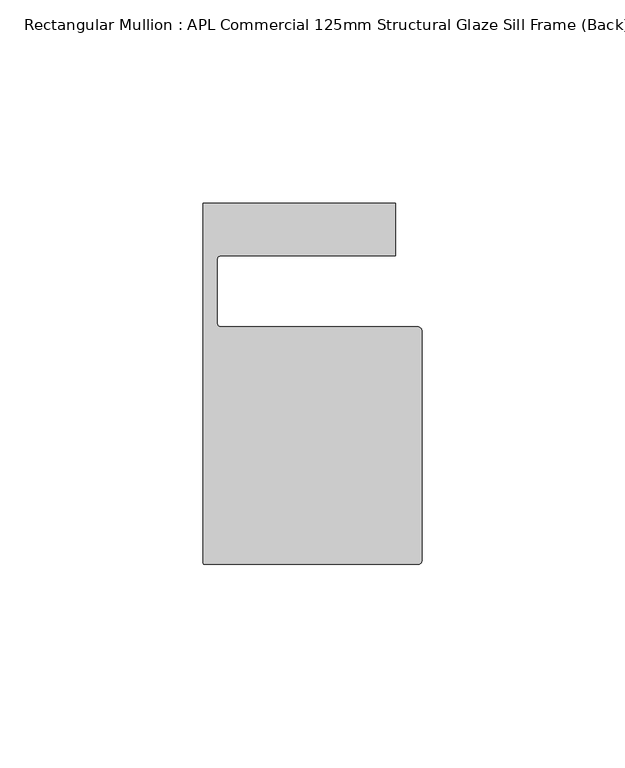
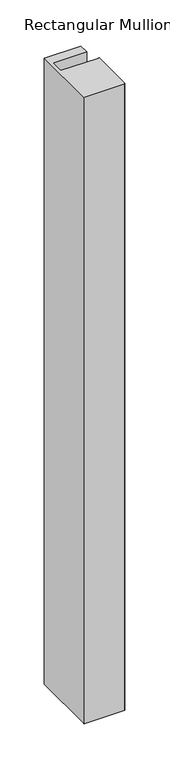
"""IFC4 building model written with IfcOpenShell, lengths in millimetres: member geometry, Rectangular Mullion : APL Commercial 125mm Structural Glaze Sill Frame (Back)."""

from ifc_helpers import new_model, si_unit, frame, origin, place, context, project, spatial, polyline, circle_curve, source, transform, mapped, element, save
from ifc_brep_helpers import plane_surface, cylinder_surface, revolved_surface, advanced_brep


def rectangular_mullion_apl_commercial_125mm_structural_glaze_bcdedff3(model_context):
    return source(origin(), model_context, "Body", "AdvancedBrep", [
        advanced_brep(
        [(-53.5000029, -104.0, 0.0), (-1.0000025, -104.0, 0.0), (-2.5e-06, -103.0, 0.0), (0.0, -46.5010268, 0.0), (-1.0, -45.5010268, 0.0), (-49.5000004, -45.5010268, 0.0), (-50.5000004, -44.5010268, 0.0), (-50.5000029, -29.0004332, 0.0), (-49.5000029, -28.0004332, 0.0), (-6.5000029, -28.0004332, 0.0), (-6.5000029, -15.0004332, 0.0), (-54.0000029, -15.0004332, 0.0), (-54.0000029, -103.5, 0.0), (-53.5000029, -104.0, -861.900041), (-54.0000029, -103.5, -861.900041), (-54.0000029, -15.0004332, -861.900041), (-6.5000029, -15.0004332, -861.900041), (-6.5000029, -28.0004332, -861.900041), (-49.5000029, -28.0004332, -861.900041), (-50.5000029, -29.0004332, -861.900041), (-50.5000029, -44.5010268, -861.900041), (-49.5000004, -45.5010268, -861.900041), (-1.0, -45.5010268, -861.900041), (0.0, -46.5010268, -861.900041), (0.0, -103.0, -861.900041), (-1.0000025, -104.0, -861.900041)],
        [
            (0, 1),
            (1, 2, circle_curve(frame((-1.0000025, -103.0, 0.0), z_axis=(0.0, 0.0, 1.0), x_axis=(0.9999999999996143, -8.78371761103865e-07, 0.0)), 1.0)),
            (2, 3),
            (3, 4, circle_curve(frame((-1.0, -46.5010268, 0.0), z_axis=(0.0, 0.0, 1.0), x_axis=(0.0, 1.0, 0.0)), 1.0)),
            (4, 5),
            (5, 6, circle_curve(frame((-49.5000004, -44.5010268, 0.0), z_axis=(0.0, 0.0, -1.0), x_axis=(-0.9999999999998819, -4.863123717036027e-07, 0.0)), 1.0)),
            (6, 7),
            (7, 8, circle_curve(frame((-49.5000029, -29.0004332, 0.0), z_axis=(0.0, 0.0, -1.0), x_axis=(0.0, 1.0, 0.0)), 1.0)),
            (8, 9),
            (9, 10),
            (10, 11),
            (11, 12),
            (12, 0, circle_curve(frame((-53.5000029, -103.5, 0.0), z_axis=(0.0, 0.0, 1.0), x_axis=(0.0, -1.0, 0.0)), 0.5)),
            (13, 14, circle_curve(frame((-53.5000029, -103.5, -861.900041), z_axis=(0.0, 0.0, -1.0), x_axis=(0.0, -1.0, 0.0)), 0.5)),
            (14, 15),
            (15, 16),
            (16, 17),
            (17, 18),
            (18, 19, circle_curve(frame((-49.5000029, -29.0004332, -861.900041), z_axis=(0.0, 0.0, 1.0), x_axis=(0.0, 1.0, 0.0)), 1.0)),
            (19, 20),
            (20, 21, circle_curve(frame((-49.5000004, -44.5010268, -861.900041), z_axis=(0.0, 0.0, 1.0), x_axis=(-0.9999999999998819, -4.863123717036027e-07, 0.0)), 1.0)),
            (21, 22),
            (22, 23, circle_curve(frame((-1.0, -46.5010268, -861.900041), z_axis=(0.0, 0.0, -1.0), x_axis=(0.0, 1.0, 0.0)), 1.0)),
            (23, 24),
            (24, 25, circle_curve(frame((-1.0000025, -103.0, -861.900041), z_axis=(0.0, 0.0, -1.0), x_axis=(0.9999999999996143, -8.78371761103865e-07, 0.0)), 1.0)),
            (25, 13),
            (0, 13),
            (25, 1),
            (24, 2),
            (23, 3),
            (22, 4),
            (21, 5),
            (20, 6),
            (19, 7),
            (18, 8),
            (17, 9),
            (16, 10),
            (15, 11),
            (14, 12),
        ],
        [
            plane_surface(frame((0.0, -116.986179, 0.0), z_axis=(0.0, 0.0, 1.0), x_axis=(-1.0, 0.0, 0.0))),
            plane_surface(frame((0.0, -116.986179, -861.900041), z_axis=(0.0, 0.0, -1.0), x_axis=(-1.0, 0.0, 0.0))),
            plane_surface(frame((-53.5000029, -104.0, 0.0), z_axis=(0.0, -1.0, 0.0), x_axis=(0.0, 0.0, -1.0))),
            cylinder_surface(frame((-1.0000025, -103.0, 0.0), z_axis=(0.0, 0.0, 1.0000000000000002), x_axis=(0.9999999999996143, -8.78371761103865e-07, 0.0)), 1.0),
            plane_surface(frame((0.0, -103.0, 0.0), z_axis=(1.0, 0.0, 0.0), x_axis=(0.0, 0.0, -1.0))),
            cylinder_surface(frame((-1.0, -46.5010268, 0.0), z_axis=(0.0, 0.0, 1.0), x_axis=(0.0, 1.0, 0.0)), 1.0),
            plane_surface(frame((-1.0, -45.5010268, 0.0), z_axis=(0.0, 1.0, 0.0), x_axis=(0.0, 0.0, -1.0))),
            revolved_surface(polyline([(-50.50000039999988, -44.50102728631237, -861.9000410000004), (-50.50000039999988, -44.50102728631237, 0.0)]), (-49.5000004, -44.5010268, 0.0), (0.0, 0.0, -1.0000000000000002)),
            plane_surface(frame((-50.5000029, -44.5010268, 0.0), z_axis=(1.0, 0.0, 0.0), x_axis=(0.0, 0.0, -1.0))),
            revolved_surface(polyline([(-49.5000029, -28.0004332, -861.900041), (-49.5000029, -28.0004332, 0.0)]), (-49.5000029, -29.0004332, 0.0), (0.0, 0.0, -1.0)),
            plane_surface(frame((-49.5000029, -28.0004332, 0.0), z_axis=(0.0, -1.0, 0.0), x_axis=(0.0, 0.0, -1.0))),
            plane_surface(frame((-6.5000029, -28.0004332, 0.0), z_axis=(1.0, 0.0, 0.0), x_axis=(0.0, 0.0, -1.0))),
            plane_surface(frame((-6.5000029, -15.0004332, 0.0), z_axis=(0.0, 1.0, 0.0), x_axis=(0.0, 0.0, -1.0))),
            plane_surface(frame((-54.0000029, -15.0004332, 0.0), z_axis=(-1.0, 0.0, 0.0), x_axis=(0.0, 0.0, -1.0))),
            cylinder_surface(frame((-53.5000029, -103.5, 0.0), z_axis=(0.0, 0.0, 1.0), x_axis=(0.0, -1.0, 0.0)), 0.5),
        ],
        [
            (0, [[1, 2, 3, 4, 5, 6, 7, 8, 9, 10, 11, 12, 13]]),
            (1, [[14, 15, 16, 17, 18, 19, 20, 21, 22, 23, 24, 25, 26]]),
            (2, [[-1, 27, -26, 28]]),
            (3, [[-2, -28, -25, 29]]),
            (4, [[-3, -29, -24, 30]]),
            (5, [[-4, -30, -23, 31]]),
            (6, [[-5, -31, -22, 32]]),
            (7, [[-6, -32, -21, 33]]),
            (8, [[-7, -33, -20, 34]]),
            (9, [[-8, -34, -19, 35]]),
            (10, [[-9, -35, -18, 36]]),
            (11, [[-10, -36, -17, 37]]),
            (12, [[-11, -37, -16, 38]]),
            (13, [[-12, -38, -15, 39]]),
            (14, [[-13, -39, -14, -27]]),
        ],
    ),
    ])


if __name__ == "__main__":
    model = new_model("IFC4")
    model_context = context("Model", 3, world=origin())
    ifc_project = project(units=[si_unit("LENGTHUNIT", "METRE", prefix="MILLI")], contexts=[model_context])
    site = spatial("IfcSite", under=ifc_project)
    building = spatial("IfcBuilding", under=site)
    placement = place(None, origin())
    rectangular_mullion_apl_commercial_125mm_structural_glaze_shape = rectangular_mullion_apl_commercial_125mm_structural_glaze_bcdedff3(model_context)
    element("IfcMember", 1, ObjectType="Rectangular Mullion : APL Commercial 125mm Structural Glaze Sill Frame (Back)", at=placement, inside=building, context=model_context, shape_type="MappedRepresentation", body=[
        mapped(rectangular_mullion_apl_commercial_125mm_structural_glaze_shape, transform((0.0, 0.0, 0.0), x_axis=(1.0, 0.0, 0.0), y_axis=(0.0, 1.0, 0.0), z_axis=(0.0, 0.0, 1.0))),
    ])
    save(model, "model.ifc")
